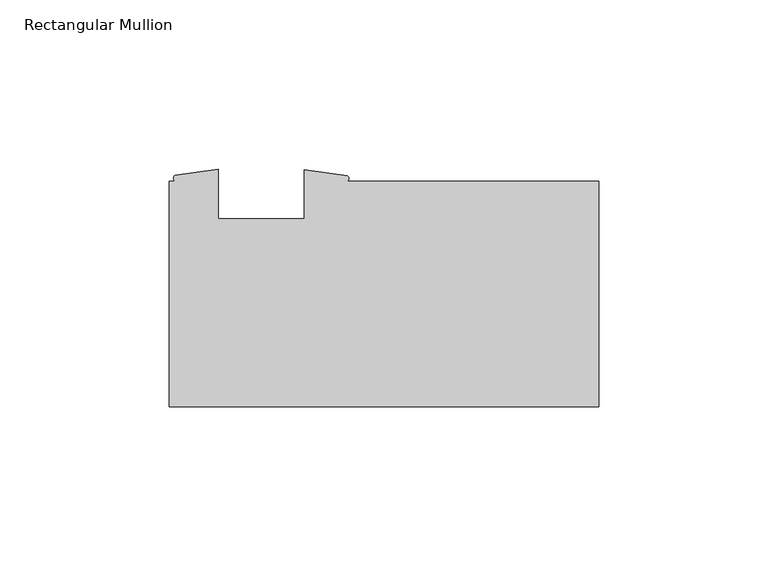
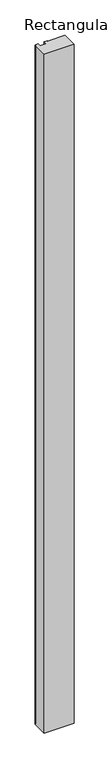
"""IFC4 building model written with IfcOpenShell, lengths in millimetres: member geometry, Rectangular Mullion."""

import ifcopenshell
import ifcopenshell.guid

model = None  # the IFC model being written
_history = None  # IfcOwnerHistory: only IFC2X3 demands one
_inside = {}  # id of a spatial element -> (the spatial element, [elements in it])
_under = {}  # id of a project, library or spatial element -> (it, [spatial elements below it])
_declared = {}  # id of a project -> (the project, [libraries it declares])
_typed = {}  # id of a type object -> (the type object, [elements of that type])
_made_of = {}  # id of a material, layer set ... -> (it, [elements and type objects made of it])


def new_model(schema):
    """Start an empty IFC model of exactly this schema.

    Asked for "IFC4X3", IfcOpenShell would pick the latest addendum, in which some entities
    have other attributes; the version numbers below select the first issue.
    IFC2X3 requires an IfcOwnerHistory on every rooted entity: one is made here for all.
    """
    global model, _history
    if schema == "IFC4X3":
        model = ifcopenshell.file(schema_version=(4, 3, 0, 0))
    else:
        model = ifcopenshell.file(schema=schema)
    _inside.clear()
    _under.clear()
    _declared.clear()
    _typed.clear()
    _made_of.clear()
    _history = None
    if model.schema == "IFC2X3":
        org = make("IfcOrganization", Name="unknown")
        user = make(
            "IfcPersonAndOrganization",
            ThePerson=make("IfcPerson", FamilyName="unknown"),
            TheOrganization=org,
        )
        app = make(
            "IfcApplication",
            ApplicationDeveloper=org,
            Version="unknown",
            ApplicationFullName="unknown",
            ApplicationIdentifier="unknown",
        )
        _history = make(
            "IfcOwnerHistory",
            OwningUser=user,
            OwningApplication=app,
            ChangeAction="ADDED",
            CreationDate=0,
        )
    return model


def make(cls, **values):
    """One entity of the class cls with the attributes given. An attribute that is None is left unset."""
    return model.create_entity(
        cls, **{name: value for name, value in values.items() if value is not None}
    )


def rooted(cls, **values):
    """An entity with a GlobalId (a new one), such as an element, a storey or a relation."""
    return make(cls, GlobalId=ifcopenshell.guid.new(), OwnerHistory=_history, **values)


def si_unit(unit_type, name, prefix=None):
    """IfcSIUnit, for example si_unit("LENGTHUNIT", "METRE", prefix="MILLI")."""
    return make("IfcSIUnit", UnitType=unit_type, Prefix=prefix, Name=name)


def assignment(units):
    """IfcUnitAssignment: the units of a project."""
    return None if units is None else make("IfcUnitAssignment", Units=units)


def point(xyz):
    """IfcCartesianPoint."""
    return None if xyz is None else make("IfcCartesianPoint", Coordinates=xyz)


def direction(xyz):
    """IfcDirection."""
    return None if xyz is None else make("IfcDirection", DirectionRatios=xyz)


def frame(location, z_axis=None, x_axis=None):
    """IfcAxis2Placement3D, a coordinate frame: its origin and axes. An axis left out is left unset."""
    return make(
        "IfcAxis2Placement3D",
        Location=point(location),
        Axis=direction(z_axis),
        RefDirection=direction(x_axis),
    )


def frame_2d(location, x_axis=None):
    """IfcAxis2Placement2D, a coordinate frame in the plane: its origin and x axis."""
    return make(
        "IfcAxis2Placement2D", Location=point(location), RefDirection=direction(x_axis)
    )


def origin():
    """The frame at (0, 0, 0) with its axes left unset."""
    return frame((0.0, 0.0, 0.0))


def place(relative_to, where):
    """IfcLocalPlacement: puts the frame where relative to a parent placement (None: the world)."""
    return make(
        "IfcLocalPlacement", PlacementRelTo=relative_to, RelativePlacement=where
    )


def context(
    kind, dimensions, precision=None, world=None, true_north=None, identifier=None
):
    """IfcGeometricRepresentationContext, for example the 3D "Model" context."""
    return make(
        "IfcGeometricRepresentationContext",
        ContextIdentifier=identifier,
        ContextType=kind,
        CoordinateSpaceDimension=dimensions,
        Precision=precision,
        WorldCoordinateSystem=world,
        TrueNorth=true_north,
    )


def project(units=None, contexts=None):
    """IfcProject with its units and contexts."""
    return rooted(
        "IfcProject",
        Name="project",
        RepresentationContexts=contexts,
        UnitsInContext=assignment(units),
    )


def spatial(cls, under=None, at=None, **own):
    """A site, building, storey or space (cls), placed at a placement, below another one or the project."""
    s = rooted(cls, ObjectPlacement=at, **own)
    if under is not None:
        _under.setdefault(under.id(), (under, []))[1].append(s)
    return s


def polyline(points):
    """IfcPolyline through the points."""
    return make("IfcPolyline", Points=[point(p) for p in points])


def circle_curve(where, radius):
    """IfcCircle in the frame where."""
    return make("IfcCircle", Position=where, Radius=radius)


def trimmed(basis, trim1, trim2, sense, master):
    """IfcTrimmedCurve: the piece of a basis curve between two trims."""
    return make(
        "IfcTrimmedCurve",
        BasisCurve=basis,
        Trim1=trim1,
        Trim2=trim2,
        SenseAgreement=sense,
        MasterRepresentation=master,
    )


def segment(curve, same_sense, transition):
    """IfcCompositeCurveSegment."""
    return make(
        "IfcCompositeCurveSegment",
        Transition=transition,
        SameSense=same_sense,
        ParentCurve=curve,
    )


def composite_curve(segments, self_intersect=None):
    """IfcCompositeCurve: segments joined end to end."""
    return make("IfcCompositeCurve", Segments=segments, SelfIntersect=self_intersect)


def outline(outer, holes=None, kind="AREA"):
    """IfcArbitraryClosedProfileDef: a profile drawn as a closed curve; with holes, ...WithVoids."""
    if holes is None:
        return make("IfcArbitraryClosedProfileDef", ProfileType=kind, OuterCurve=outer)
    return make(
        "IfcArbitraryProfileDefWithVoids",
        ProfileType=kind,
        OuterCurve=outer,
        InnerCurves=holes,
    )


def extrude(swept, where, along, depth):
    """IfcExtrudedAreaSolid: the profile swept, set in the frame where, extruded along a direction by depth."""
    return make(
        "IfcExtrudedAreaSolid",
        SweptArea=swept,
        Position=where,
        ExtrudedDirection=direction(along),
        Depth=depth,
    )


def shape(context_of_items, identifier, shape_type, items):
    """IfcShapeRepresentation: the items that make up one representation, for example the "Body"."""
    return make(
        "IfcShapeRepresentation",
        ContextOfItems=context_of_items,
        RepresentationIdentifier=identifier,
        RepresentationType=shape_type,
        Items=items,
    )


def source(mapping_origin, context_of_items, identifier, shape_type, items):
    """IfcRepresentationMap: a shape defined once, which mapped items show again and again."""
    return make(
        "IfcRepresentationMap",
        MappingOrigin=mapping_origin,
        MappedRepresentation=shape(context_of_items, identifier, shape_type, items),
    )


def transform(
    local_origin,
    x_axis=None,
    y_axis=None,
    z_axis=None,
    scale=None,
    scale2=None,
    scale3=None,
    uniform=True,
):
    """IfcCartesianTransformationOperator3D, or its non-uniform kind. x_axis, y_axis, z_axis: its Axis1, 2, 3."""
    if uniform:
        return make(
            "IfcCartesianTransformationOperator3D",
            Axis1=direction(x_axis),
            Axis2=direction(y_axis),
            LocalOrigin=point(local_origin),
            Scale=scale,
            Axis3=direction(z_axis),
        )
    return make(
        "IfcCartesianTransformationOperator3DnonUniform",
        Axis1=direction(x_axis),
        Axis2=direction(y_axis),
        LocalOrigin=point(local_origin),
        Scale=scale,
        Axis3=direction(z_axis),
        Scale2=scale2,
        Scale3=scale3,
    )


def mapped(mapping_source, mapping_target):
    """IfcMappedItem: shows the shape of a source again, moved by a transform."""
    return make(
        "IfcMappedItem", MappingSource=mapping_source, MappingTarget=mapping_target
    )


def made_of(thing, what):
    """Note that an element or type object is made of a material, layer set ...; save() writes the relation."""
    if what is not None:
        _made_of.setdefault(what.id(), (what, []))[1].append(thing)
    return thing


def element(
    cls,
    number,
    at=None,
    inside=None,
    cuts=None,
    type_object=None,
    material=None,
    context=None,
    identifier="Body",
    shape_type=None,
    held_by="IfcProductDefinitionShape",
    body=None,
    shapes=None,
    **own,
):
    """One element of the class cls, such as IfcWall. Its Tag is "e" and its number.

    at: its placement. inside: the storey or other place that contains it. cuts: it is an
    opening in that element (IfcRelVoidsElement). A single representation is given by context,
    identifier, shape_type and body (its items); several are given by shapes. held_by: the class
    of the entity that holds the representations. save() writes the other relations.
    """
    e = rooted(cls, Tag="e%d" % number, ObjectPlacement=at, **own)
    if body is not None:
        shapes = [shape(context, identifier, shape_type, body)]
    if shapes is not None:
        e.Representation = make(held_by, Representations=shapes)
    if inside is not None:
        _inside.setdefault(inside.id(), (inside, []))[1].append(e)
    if cuts is not None:
        rooted(
            "IfcRelVoidsElement", RelatingBuildingElement=cuts, RelatedOpeningElement=e
        )
    if type_object is not None:
        _typed.setdefault(type_object.id(), (type_object, []))[1].append(e)
    return made_of(e, material)


def aggregate(whole, parts):
    """IfcRelAggregates: a whole, such as a stair, and the parts it consists of."""
    return rooted("IfcRelAggregates", RelatingObject=whole, RelatedObjects=parts)


def save(model, path):
    """Write the relations noted so far, then the file.

    IfcRelAggregates (storeys below a building ...), IfcRelContainedInSpatialStructure (elements
    in a storey), IfcRelDefinesByType, IfcRelAssociatesMaterial and IfcRelDeclares: one each for
    every whole, place, type object, material and project.
    """
    for whole, parts in _under.values():
        aggregate(whole, parts)
    for where, things in _inside.values():
        rooted(
            "IfcRelContainedInSpatialStructure",
            RelatedElements=things,
            RelatingStructure=where,
        )
    for kind, things in _typed.values():
        rooted("IfcRelDefinesByType", RelatedObjects=things, RelatingType=kind)
    for what, things in _made_of.values():
        rooted("IfcRelAssociatesMaterial", RelatedObjects=things, RelatingMaterial=what)
    for by, libraries in _declared.values():
        rooted("IfcRelDeclares", RelatingContext=by, RelatedDefinitions=libraries)
    model.write(path)


def rectangular_mullion_24418060(model_context):
    return source(origin(), model_context, "Body", "SweptSolid", [
        extrude(outline(composite_curve([segment(polyline([(-127.0, -33.3375), (-127.0, 33.3375), (-125.2695278, 33.3375)]), True, "CONTINUOUS"), segment(trimmed(circle_curve(frame_2d((-124.7425181, 34.1692022)), 0.9846155), [point((-125.2695278, 33.3375))], [point((-125.2695278, 35.0009044))], False, "CARTESIAN"), True, "CONTINUOUS"), segment(polyline([(-125.2695278, 35.0009044), (-112.496475, 36.8570217), (-112.496475, 22.225), (-87.096475, 22.225), (-87.096475, 36.7335), (-74.3251874, 34.9233963)]), True, "CONTINUOUS"), segment(trimmed(circle_curve(frame_2d((-74.7939911, 34.1304481)), 0.9211642), [point((-74.3251874, 34.9233963))], [point((-74.3251874, 33.3375))], False, "CARTESIAN"), True, "CONTINUOUS"), segment(polyline([(-74.3251874, 33.3375), (0.0, 33.3375), (0.0, -33.3375), (-127.0, -33.3375)]), True, "CONTINUOUS")], self_intersect=False)), frame((0.0, 0.0, -3048.0), z_axis=(0.0, 0.0, 1.0), x_axis=(1.0, 0.0, 0.0)), (0.0, 0.0, 1.0), 3048.0),
    ])


if __name__ == "__main__":
    model = new_model("IFC4")
    model_context = context("Model", 3, world=origin())
    ifc_project = project(units=[si_unit("LENGTHUNIT", "METRE", prefix="MILLI")], contexts=[model_context])
    site = spatial("IfcSite", under=ifc_project)
    building = spatial("IfcBuilding", under=site)
    placement = place(None, origin())
    rectangular_mullion_shape = rectangular_mullion_24418060(model_context)
    element("IfcMember", 1, ObjectType="Rectangular Mullion", at=placement, inside=building, context=model_context, shape_type="MappedRepresentation", body=[
        mapped(rectangular_mullion_shape, transform((0.0, 0.0, 0.0), x_axis=(1.0, 0.0, 0.0), y_axis=(0.0, 1.0, 0.0), z_axis=(0.0, 0.0, 1.0))),
    ])
    save(model, "model.ifc")
